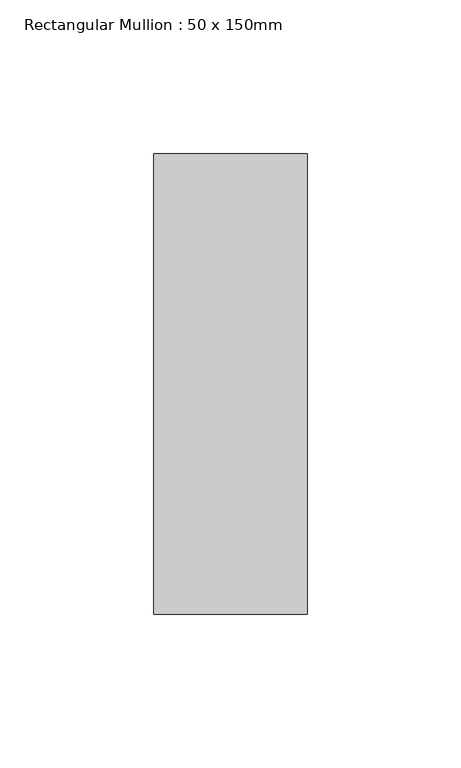
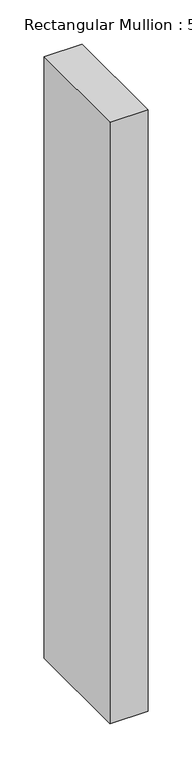
"""IFC4 building model written with IfcOpenShell, lengths in millimetres: member geometry, Rectangular Mullion : 50 x 150mm."""

from ifc_helpers import new_model, si_unit, frame, origin, place, context, project, spatial, polyline, outline, extrude, source, transform, mapped, element, save


def rectangular_mullion_50_x_150mm_43ac16c6(model_context):
    return source(origin(), model_context, "Body", "SweptSolid", [
        extrude(outline(polyline([(25.0, 75.0), (25.0, -75.0), (-25.0, -75.0), (-25.0, 75.0), (25.0, 75.0)])), frame((0.0, 0.0, -833.3333333), z_axis=(0.0, 0.0, 1.0), x_axis=(1.0, 0.0, 0.0)), (0.0, 0.0, 1.0), 833.3333333),
    ])


if __name__ == "__main__":
    model = new_model("IFC4")
    model_context = context("Model", 3, world=origin())
    ifc_project = project(units=[si_unit("LENGTHUNIT", "METRE", prefix="MILLI")], contexts=[model_context])
    site = spatial("IfcSite", under=ifc_project)
    building = spatial("IfcBuilding", under=site)
    placement = place(None, origin())
    rectangular_mullion_50_x_150mm_shape = rectangular_mullion_50_x_150mm_43ac16c6(model_context)
    element("IfcMember", 1, ObjectType="Rectangular Mullion : 50 x 150mm", at=placement, inside=building, context=model_context, shape_type="MappedRepresentation", body=[
        mapped(rectangular_mullion_50_x_150mm_shape, transform((0.0, 0.0, 0.0), x_axis=(1.0, 0.0, 0.0), y_axis=(0.0, 1.0, 0.0), z_axis=(0.0, 0.0, 1.0))),
    ])
    save(model, "model.ifc")
